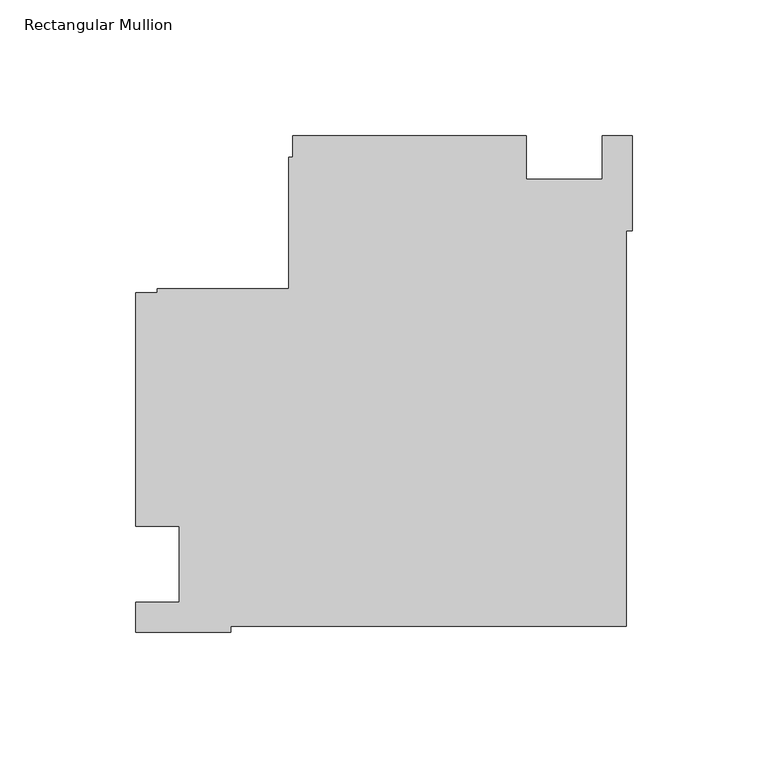
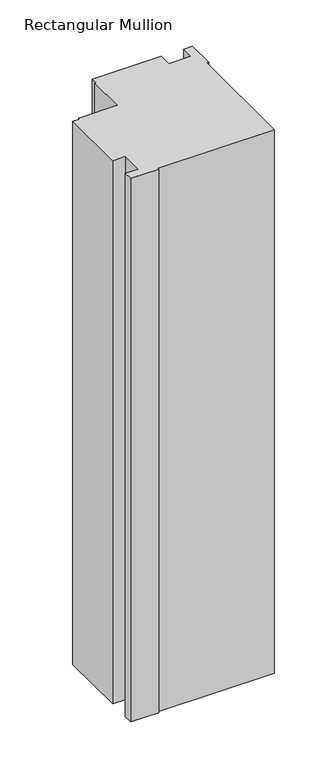
"""IFC4 building model written with IfcOpenShell, lengths in millimetres: member geometry, Rectangular Mullion."""

from ifc_helpers import new_model, si_unit, frame, origin, place, context, project, spatial, polyline, outline, extrude, source, transform, mapped, element, save


def rectangular_mullion_37319879(model_context):
    return source(origin(), model_context, "Body", "SweptSolid", [
        extrude(outline(polyline([(-182.9999976, 14.0008907), (-182.9999976, 100.0010025), (-175.0, 100.0010025), (-175.0, 101.6000025), (-126.6, 101.6000025), (-126.6, 150.0000025), (-125.0, 150.0000025), (-125.0, 158.0000001), (-38.9998882, 158.0000001), (-38.9998882, 142.0010001), (-10.9999975, 142.0010001), (-10.9999975, 158.0000001), (0.0, 158.0000001), (0.0, 122.9999738), (-2.0852141, 122.9999738), (-2.0852141, -22.9137834), (-147.9999713, -22.9137834), (-147.9999713, -24.9989975), (-183.0085199, -24.9989975), (-183.0085199, -14.0027335), (-166.9999976, -14.0027335), (-166.9999976, 14.0008907), (-182.9999976, 14.0008907)])), frame((0.0, 0.0, -718.958673), z_axis=(0.0, 0.0, 1.0), x_axis=(1.0, 0.0, 0.0)), (0.0, 0.0, 1.0), 718.958673),
    ])


if __name__ == "__main__":
    model = new_model("IFC4")
    model_context = context("Model", 3, world=origin())
    ifc_project = project(units=[si_unit("LENGTHUNIT", "METRE", prefix="MILLI")], contexts=[model_context])
    site = spatial("IfcSite", under=ifc_project)
    building = spatial("IfcBuilding", under=site)
    placement = place(None, origin())
    rectangular_mullion_shape = rectangular_mullion_37319879(model_context)
    element("IfcMember", 1, ObjectType="Rectangular Mullion", at=placement, inside=building, context=model_context, shape_type="MappedRepresentation", body=[
        mapped(rectangular_mullion_shape, transform((0.0, 0.0, 0.0), x_axis=(1.0, 0.0, 0.0), y_axis=(0.0, 1.0, 0.0), z_axis=(0.0, 0.0, 1.0))),
    ])
    save(model, "model.ifc")
